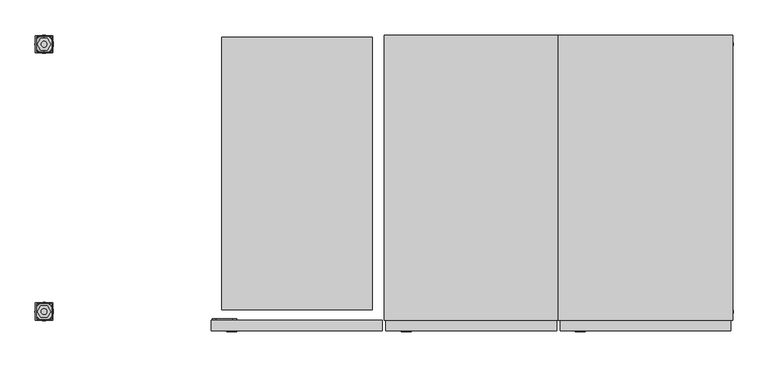
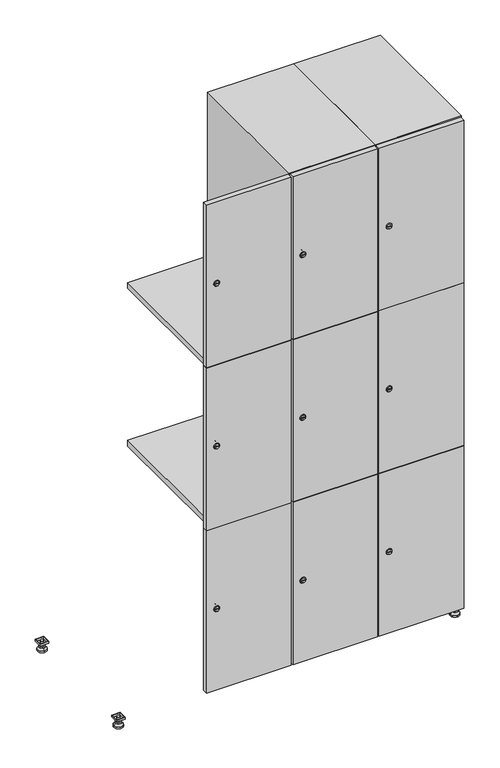
"""IFC4 building model written with IfcOpenShell, lengths in millimetres: furniture geometry."""

from ifc_helpers import new_model, si_unit, point, frame, frame_2d, origin, origin_with_axes, place, context, project, spatial, polyline, circle_curve, trimmed, segment, composite_curve, outline, extrude, faceted_brep, source, transform, mapped, element, save
from ifc_brep_helpers import plane_surface, revolved_surface, advanced_brep


def furniture_dab94285(model_context):
    return source(origin(), model_context, "Body", "SolidModel", [
        extrude(outline(polyline([(1000.0, 245.0), (1000.0, 215.0), (970.0, 215.0), (970.0, 245.0), (1000.0, 245.0)]), holes=[polyline([(998.0, 243.0), (972.0, 243.0), (972.0, 217.0), (998.0, 217.0), (998.0, 243.0)])]), frame((0.0, 0.0, 28.5), z_axis=(0.0, 0.0, 1.0), x_axis=(1.0, 0.0, 0.0)), (0.0, 0.0, 1.0), 6.5),
        extrude(outline(polyline([(970.0, -245.0), (970.0, -215.0), (1000.0, -215.0), (1000.0, -245.0), (970.0, -245.0)]), holes=[polyline([(972.0, -243.0), (998.0, -243.0), (998.0, -217.0), (972.0, -217.0), (972.0, -243.0)])]), frame((0.0, 0.0, 28.5), z_axis=(0.0, 0.0, 1.0), x_axis=(1.0, 0.0, 0.0)), (0.0, 0.0, 1.0), 6.5),
        extrude(outline(polyline([(-170.0, 245.0), (-170.0, 215.0), (-200.0, 215.0), (-200.0, 245.0), (-170.0, 245.0)]), holes=[polyline([(-172.0, 243.0), (-198.0, 243.0), (-198.0, 217.0), (-172.0, 217.0), (-172.0, 243.0)])]), frame((0.0, 0.0, 28.5), z_axis=(0.0, 0.0, 1.0), x_axis=(1.0, 0.0, 0.0)), (0.0, 0.0, 1.0), 6.5),
        extrude(outline(polyline([(-170.0, -215.0), (-170.0, -245.0), (-200.0, -245.0), (-200.0, -215.0), (-170.0, -215.0)]), holes=[polyline([(-198.0, -243.0), (-172.0, -243.0), (-172.0, -217.0), (-198.0, -217.0), (-198.0, -243.0)])]), frame((0.0, 0.0, 28.5), z_axis=(0.0, 0.0, 1.0), x_axis=(1.0, 0.0, 0.0)), (0.0, 0.0, 1.0), 6.5),
        extrude(outline(composite_curve([segment(trimmed(circle_curve(frame_2d((-185.0, 230.0)), 5.0), [point((-180.0, 230.0))], [point((-190.0, 230.0))], False, "CARTESIAN"), True, "CONTINUOUS"), segment(trimmed(circle_curve(frame_2d((-185.0, 230.0)), 5.0), [point((-190.0, 230.0))], [point((-180.0, 230.0))], False, "CARTESIAN"), True, "CONTINUOUS")], self_intersect=False)), frame((0.0, 0.0, 19.6), z_axis=(0.0, 0.0, 1.0), x_axis=(1.0, 0.0, 0.0)), (0.0, 0.0, 1.0), 15.4),
        extrude(outline(composite_curve([segment(trimmed(circle_curve(frame_2d((-185.0, -230.0)), 5.0), [point((-180.0, -230.0))], [point((-190.0, -230.0))], False, "CARTESIAN"), True, "CONTINUOUS"), segment(trimmed(circle_curve(frame_2d((-185.0, -230.0)), 5.0), [point((-190.0, -230.0))], [point((-180.0, -230.0))], False, "CARTESIAN"), True, "CONTINUOUS")], self_intersect=False)), frame((0.0, 0.0, 19.6), z_axis=(0.0, 0.0, 1.0), x_axis=(1.0, 0.0, 0.0)), (0.0, 0.0, 1.0), 15.4),
        extrude(outline(composite_curve([segment(trimmed(circle_curve(frame_2d((985.0, 230.0)), 5.0), [point((990.0, 230.0))], [point((980.0, 230.0))], False, "CARTESIAN"), True, "CONTINUOUS"), segment(trimmed(circle_curve(frame_2d((985.0, 230.0)), 5.0), [point((980.0, 230.0))], [point((990.0, 230.0))], False, "CARTESIAN"), True, "CONTINUOUS")], self_intersect=False)), frame((0.0, 0.0, 19.6), z_axis=(0.0, 0.0, 1.0), x_axis=(1.0, 0.0, 0.0)), (0.0, 0.0, 1.0), 15.4),
        extrude(outline(polyline([(973.4529946, 230.0), (979.2264973, 240.0), (990.7735027, 240.0), (996.5470054, 230.0), (990.7735027, 220.0), (979.2264973, 220.0), (973.4529946, 230.0)])), frame((0.0, 0.0, 13.6), z_axis=(0.0, 0.0, 1.0), x_axis=(1.0, 0.0, 0.0)), (0.0, 0.0, 1.0), 6.0),
        extrude(outline(composite_curve([segment(trimmed(circle_curve(frame_2d((985.0, -230.0)), 5.0), [point((990.0, -230.0))], [point((980.0, -230.0))], False, "CARTESIAN"), True, "CONTINUOUS"), segment(trimmed(circle_curve(frame_2d((985.0, -230.0)), 5.0), [point((980.0, -230.0))], [point((990.0, -230.0))], False, "CARTESIAN"), True, "CONTINUOUS")], self_intersect=False)), frame((0.0, 0.0, 19.6), z_axis=(0.0, 0.0, 1.0), x_axis=(1.0, 0.0, 0.0)), (0.0, 0.0, 1.0), 15.4),
        extrude(outline(polyline([(973.4529946, -230.0), (979.2264973, -220.0), (990.7735027, -220.0), (996.5470054, -230.0), (990.7735027, -240.0), (979.2264973, -240.0), (973.4529946, -230.0)])), frame((0.0, 0.0, 13.6), z_axis=(0.0, 0.0, 1.0), x_axis=(1.0, 0.0, 0.0)), (0.0, 0.0, 1.0), 6.0),
        extrude(outline(composite_curve([segment(trimmed(circle_curve(frame_2d((985.0, 230.0)), 5.0), [point((990.0, 230.0))], [point((980.0, 230.0))], False, "CARTESIAN"), True, "CONTINUOUS"), segment(trimmed(circle_curve(frame_2d((985.0, 230.0)), 5.0), [point((980.0, 230.0))], [point((990.0, 230.0))], False, "CARTESIAN"), True, "CONTINUOUS")], self_intersect=False)), frame((0.0, 0.0, 12.1), z_axis=(0.0, 0.0, 1.0), x_axis=(1.0, 0.0, 0.0)), (0.0, 0.0, 1.0), 1.5),
        extrude(outline(composite_curve([segment(trimmed(circle_curve(frame_2d((985.0, -230.0)), 5.0), [point((990.0, -230.0))], [point((980.0, -230.0))], False, "CARTESIAN"), True, "CONTINUOUS"), segment(trimmed(circle_curve(frame_2d((985.0, -230.0)), 5.0), [point((980.0, -230.0))], [point((990.0, -230.0))], False, "CARTESIAN"), True, "CONTINUOUS")], self_intersect=False)), frame((0.0, 0.0, 12.1), z_axis=(0.0, 0.0, 1.0), x_axis=(1.0, 0.0, 0.0)), (0.0, 0.0, 1.0), 1.5),
        extrude(outline(polyline([(-196.5470054, 230.0), (-190.7735027, 240.0), (-179.2264973, 240.0), (-173.4529946, 230.0), (-179.2264973, 220.0), (-190.7735027, 220.0), (-196.5470054, 230.0)])), frame((0.0, 0.0, 13.6), z_axis=(0.0, 0.0, 1.0), x_axis=(1.0, 0.0, 0.0)), (0.0, 0.0, 1.0), 6.0),
        extrude(outline(polyline([(-196.5470054, -230.0), (-190.7735027, -220.0), (-179.2264973, -220.0), (-173.4529946, -230.0), (-179.2264973, -240.0), (-190.7735027, -240.0), (-196.5470054, -230.0)])), frame((0.0, 0.0, 13.6), z_axis=(0.0, 0.0, 1.0), x_axis=(1.0, 0.0, 0.0)), (0.0, 0.0, 1.0), 6.0),
        extrude(outline(composite_curve([segment(trimmed(circle_curve(frame_2d((-185.0, 230.0)), 5.0), [point((-185.0, 235.0))], [point((-185.0, 225.0))], False, "CARTESIAN"), True, "CONTINUOUS"), segment(trimmed(circle_curve(frame_2d((-185.0, 230.0)), 5.0), [point((-185.0, 225.0))], [point((-185.0, 235.0))], False, "CARTESIAN"), True, "CONTINUOUS")], self_intersect=False)), frame((0.0, 0.0, 12.1), z_axis=(0.0, 0.0, 1.0), x_axis=(1.0, 0.0, 0.0)), (0.0, 0.0, 1.0), 1.5),
        extrude(outline(composite_curve([segment(trimmed(circle_curve(frame_2d((-185.0, -230.0)), 5.0), [point((-180.0, -230.0))], [point((-190.0, -230.0))], False, "CARTESIAN"), True, "CONTINUOUS"), segment(trimmed(circle_curve(frame_2d((-185.0, -230.0)), 5.0), [point((-190.0, -230.0))], [point((-180.0, -230.0))], False, "CARTESIAN"), True, "CONTINUOUS")], self_intersect=False)), frame((0.0, 0.0, 12.1), z_axis=(0.0, 0.0, 1.0), x_axis=(1.0, 0.0, 0.0)), (0.0, 0.0, 1.0), 1.5),
        extrude(outline(composite_curve([segment(trimmed(circle_curve(frame_2d((985.0, 230.0)), 15.75), [point((1000.75, 230.0))], [point((969.25, 230.0))], False, "CARTESIAN"), True, "CONTINUOUS"), segment(trimmed(circle_curve(frame_2d((985.0, 230.0)), 15.75), [point((969.25, 230.0))], [point((1000.75, 230.0))], False, "CARTESIAN"), True, "CONTINUOUS")], self_intersect=False)), origin_with_axes(), (0.0, 0.0, 1.0), 5.1),
        extrude(outline(composite_curve([segment(trimmed(circle_curve(frame_2d((985.0, -230.0)), 15.75), [point((985.0, -214.25))], [point((985.0, -245.75))], False, "CARTESIAN"), True, "CONTINUOUS"), segment(trimmed(circle_curve(frame_2d((985.0, -230.0)), 15.75), [point((985.0, -245.75))], [point((985.0, -214.25))], False, "CARTESIAN"), True, "CONTINUOUS")], self_intersect=False)), origin_with_axes(), (0.0, 0.0, 1.0), 5.1),
        extrude(outline(composite_curve([segment(trimmed(circle_curve(frame_2d((-185.0, -230.0)), 15.75), [point((-169.25, -230.0))], [point((-200.75, -230.0))], False, "CARTESIAN"), True, "CONTINUOUS"), segment(trimmed(circle_curve(frame_2d((-185.0, -230.0)), 15.75), [point((-200.75, -230.0))], [point((-169.25, -230.0))], False, "CARTESIAN"), True, "CONTINUOUS")], self_intersect=False)), origin_with_axes(), (0.0, 0.0, 1.0), 5.1),
        extrude(outline(composite_curve([segment(trimmed(circle_curve(frame_2d((-185.0, 230.0)), 15.75), [point((-169.25, 230.0))], [point((-200.75, 230.0))], False, "CARTESIAN"), True, "CONTINUOUS"), segment(trimmed(circle_curve(frame_2d((-185.0, 230.0)), 15.75), [point((-200.75, 230.0))], [point((-169.25, 230.0))], False, "CARTESIAN"), True, "CONTINUOUS")], self_intersect=False)), origin_with_axes(), (0.0, 0.0, 1.0), 5.1),
        advanced_brep(
        [(-185.0, 239.5, 12.1), (-185.0, 220.5, 12.1), (-185.0, 214.25, 5.1), (-185.0, 245.75, 5.1)],
        [
            (0, 1, circle_curve(frame((-185.0, 230.0, 12.1), z_axis=(0.0, 0.0, -1.0), x_axis=(0.0, 1.0, 0.0)), 9.5)),
            (1, 2),
            (2, 3, circle_curve(frame((-185.0, 230.0, 5.1), z_axis=(0.0, 0.0, 1.0), x_axis=(0.0, 1.0, 0.0)), 15.75)),
            (3, 0),
            (1, 0, circle_curve(frame((-185.0, 230.0, 12.1), z_axis=(0.0, 0.0, -1.0), x_axis=(0.0, -1.0, 0.0)), 9.5)),
            (3, 2, circle_curve(frame((-185.0, 230.0, 5.1), z_axis=(0.0, 0.0, 1.0), x_axis=(0.0, -1.0, 0.0)), 15.75)),
        ],
        [
            revolved_surface(polyline([(-185.0, 220.5, 12.099999999999998), (-185.0, 214.25, 5.099999999999998)]), (-185.0, 230.0, 22.74), (0.0, 0.0, -1.0)),
            revolved_surface(polyline([(-185.0, 239.5, 12.099999999999998), (-185.0, 245.75, 5.099999999999998)]), (-185.0, 230.0, 22.74), (0.0, 0.0, -1.0)),
            plane_surface(frame((-185.0, 230.0, 5.1), z_axis=(0.0, 0.0, -1.0), x_axis=(1.0, 0.0, 0.0))),
            plane_surface(frame((-185.0, 230.0, 12.1), z_axis=(0.0, 0.0, 1.0), x_axis=(1.0, 0.0, 0.0))),
        ],
        [
            (0, [[1, 2, 3, 4]]),
            (1, [[5, -4, 6, -2]]),
            (2, [[-3, -6]]),
            (3, [[-5, -1]]),
        ],
    ),
        advanced_brep(
        [(985.0, 239.5, 12.1), (985.0, 220.5, 12.1), (985.0, 214.25, 5.1), (985.0, 245.75, 5.1)],
        [
            (0, 1, circle_curve(frame((985.0, 230.0, 12.1), z_axis=(0.0, 0.0, -1.0), x_axis=(0.0, 1.0, 0.0)), 9.5)),
            (1, 2),
            (2, 3, circle_curve(frame((985.0, 230.0, 5.1), z_axis=(0.0, 0.0, 1.0), x_axis=(0.0, 1.0, 0.0)), 15.75)),
            (3, 0),
            (1, 0, circle_curve(frame((985.0, 230.0, 12.1), z_axis=(0.0, 0.0, -1.0), x_axis=(0.0, -1.0, 0.0)), 9.5)),
            (3, 2, circle_curve(frame((985.0, 230.0, 5.1), z_axis=(0.0, 0.0, 1.0), x_axis=(0.0, -1.0, 0.0)), 15.75)),
        ],
        [
            revolved_surface(polyline([(985.0, 220.5, 12.099999999999998), (985.0, 214.25, 5.099999999999998)]), (985.0, 230.0, 22.74), (0.0, 0.0, -1.0)),
            revolved_surface(polyline([(985.0, 239.5, 12.099999999999998), (985.0, 245.75, 5.099999999999998)]), (985.0, 230.0, 22.74), (0.0, 0.0, -1.0)),
            plane_surface(frame((985.0, 230.0, 5.1), z_axis=(0.0, 0.0, -1.0), x_axis=(1.0, 0.0, 0.0))),
            plane_surface(frame((985.0, 230.0, 12.1), z_axis=(0.0, 0.0, 1.0), x_axis=(1.0, 0.0, 0.0))),
        ],
        [
            (0, [[1, 2, 3, 4]]),
            (1, [[5, -4, 6, -2]]),
            (2, [[-3, -6]]),
            (3, [[-5, -1]]),
        ],
    ),
        advanced_brep(
        [(1000.75, -230.0, 5.1), (969.25, -230.0, 5.1), (975.5, -230.0, 12.1), (994.5, -230.0, 12.1)],
        [
            (0, 1, circle_curve(frame((985.0, -230.0, 5.1), z_axis=(0.0, 0.0, 1.0), x_axis=(1.0, 0.0, 0.0)), 15.75)),
            (1, 2),
            (2, 3, circle_curve(frame((985.0, -230.0, 12.1), z_axis=(0.0, 0.0, -1.0), x_axis=(1.0, 0.0, 0.0)), 9.5)),
            (3, 0),
            (1, 0, circle_curve(frame((985.0, -230.0, 5.1), z_axis=(0.0, 0.0, 1.0), x_axis=(-1.0, 0.0, 0.0)), 15.75)),
            (3, 2, circle_curve(frame((985.0, -230.0, 12.1), z_axis=(0.0, 0.0, -1.0), x_axis=(-1.0, 0.0, 0.0)), 9.5)),
        ],
        [
            revolved_surface(polyline([(994.5, -230.0, 12.099999999999998), (1000.75, -230.0, 5.099999999999998)]), (985.0, -230.0, 22.74), (0.0, 0.0, -1.0)),
            revolved_surface(polyline([(975.5, -230.0, 12.099999999999998), (969.25, -230.0, 5.099999999999998)]), (985.0, -230.0, 22.74), (0.0, 0.0, -1.0)),
            plane_surface(frame((985.0, -230.0, 12.1), z_axis=(0.0, 0.0, 1.0), x_axis=(0.0, 1.0, 0.0))),
            plane_surface(frame((985.0, -230.0, 5.1), z_axis=(0.0, 0.0, -1.0), x_axis=(0.0, 1.0, 0.0))),
        ],
        [
            (0, [[1, 2, 3, 4]]),
            (1, [[5, -4, 6, -2]]),
            (2, [[-3, -6]]),
            (3, [[-5, -1]]),
        ],
    ),
        advanced_brep(
        [(-169.25, -230.0, 5.1), (-200.75, -230.0, 5.1), (-194.5, -230.0, 12.1), (-175.5, -230.0, 12.1)],
        [
            (0, 1, circle_curve(frame((-185.0, -230.0, 5.1), z_axis=(0.0, 0.0, 1.0), x_axis=(1.0, 0.0, 0.0)), 15.75)),
            (1, 2),
            (2, 3, circle_curve(frame((-185.0, -230.0, 12.1), z_axis=(0.0, 0.0, -1.0), x_axis=(1.0, 0.0, 0.0)), 9.5)),
            (3, 0),
            (1, 0, circle_curve(frame((-185.0, -230.0, 5.1), z_axis=(0.0, 0.0, 1.0), x_axis=(-1.0, 0.0, 0.0)), 15.75)),
            (3, 2, circle_curve(frame((-185.0, -230.0, 12.1), z_axis=(0.0, 0.0, -1.0), x_axis=(-1.0, 0.0, 0.0)), 9.5)),
        ],
        [
            revolved_surface(polyline([(-175.5, -230.0, 12.099999999999998), (-169.25, -230.0, 5.099999999999998)]), (-185.0, -230.0, 22.74), (0.0, 0.0, -1.0)),
            revolved_surface(polyline([(-194.5, -230.0, 12.099999999999998), (-200.75, -230.0, 5.099999999999998)]), (-185.0, -230.0, 22.74), (0.0, 0.0, -1.0)),
            plane_surface(frame((-185.0, -230.0, 12.1), z_axis=(0.0, 0.0, 1.0), x_axis=(0.0, 1.0, 0.0))),
            plane_surface(frame((-185.0, -230.0, 5.1), z_axis=(0.0, 0.0, -1.0), x_axis=(0.0, 1.0, 0.0))),
        ],
        [
            (0, [[1, 2, 3, 4]]),
            (1, [[5, -4, 6, -2]]),
            (2, [[-3, -6]]),
            (3, [[-5, -1]]),
        ],
    ),
        extrude(outline(composite_curve([segment(trimmed(circle_curve(frame_2d((337.0, 711.2010534)), 7.0), [point((344.0, 711.2010534))], [point((330.0, 711.2010534))], False, "CARTESIAN"), True, "CONTINUOUS"), segment(polyline([(330.0, 711.2010534), (330.0, 739.2010534)]), True, "CONTINUOUS"), segment(trimmed(circle_curve(frame_2d((337.0, 739.2010534)), 7.0), [point((330.0, 739.2010534))], [point((344.0, 739.2010534))], False, "CARTESIAN"), True, "CONTINUOUS"), segment(polyline([(344.0, 739.2010534), (344.0, 711.2010534)]), True, "CONTINUOUS")], self_intersect=False)), frame((0.0, -245.0, 0.0), z_axis=(0.0, 1.0, 0.0), x_axis=(0.0, 0.0, 1.0)), (0.0, 0.0, 1.0), 2.0),
        advanced_brep(
        [(746.5, -265.2, 337.0), (729.5, -265.2, 337.0), (733.0, -265.2, 335.75), (733.0, -265.2, 338.25), (743.0, -265.2, 338.25), (743.0, -265.2, 335.75), (748.5, -263.0, 337.0), (727.5, -263.0, 337.0), (733.0, -263.0, 338.25), (733.0, -263.0, 335.75), (743.0, -263.0, 335.75), (743.0, -263.0, 338.25)],
        [
            (0, 1, circle_curve(frame((738.0, -265.2, 337.0), z_axis=(0.0, -1.0, 0.0), x_axis=(1.0, 0.0, 0.0)), 8.5)),
            (1, 0, circle_curve(frame((738.0, -265.2, 337.0), z_axis=(0.0, -1.0, 0.0), x_axis=(-1.0, 0.0, 0.0)), 8.5)),
            (2, 3),
            (3, 4),
            (4, 5),
            (5, 2),
            (6, 7, circle_curve(frame((738.0, -263.0, 337.0), z_axis=(0.0, 1.0, 0.0), x_axis=(-1.0, 0.0, 0.0)), 10.5)),
            (7, 6, circle_curve(frame((738.0, -263.0, 337.0), z_axis=(0.0, 1.0, 0.0), x_axis=(1.0, 0.0, 0.0)), 10.5)),
            (8, 9),
            (9, 10),
            (10, 11),
            (11, 8),
            (0, 6),
            (7, 1),
            (8, 3),
            (2, 9),
            (11, 4),
            (10, 5),
        ],
        [
            plane_surface(frame((738.0, -265.2, 337.0), z_axis=(0.0, -1.0, 0.0), x_axis=(0.0, 0.0, 1.0))),
            plane_surface(frame((738.0, -263.0, 337.0), z_axis=(0.0, 1.0, 0.0), x_axis=(0.0, 0.0, 1.0))),
            revolved_surface(polyline([(746.5, -265.2, 337.0), (748.5, -263.0, 337.0)]), (738.0, -274.55, 337.0), (0.0, 1.0, 0.0)),
            revolved_surface(polyline([(729.5, -265.2, 337.0), (727.5, -263.0, 337.0)]), (738.0, -274.55, 337.0), (0.0, 1.0, 0.0)),
            plane_surface(frame((733.0, -263.0, 335.75), z_axis=(1.0, 0.0, 0.0), x_axis=(0.0, -1.0, 0.0))),
            plane_surface(frame((733.0, -263.0, 338.25), z_axis=(0.0, 0.0, -1.0), x_axis=(0.0, -1.0, 0.0))),
            plane_surface(frame((743.0, -263.0, 338.25), z_axis=(-1.0, 0.0, 0.0), x_axis=(0.0, -1.0, 0.0))),
            plane_surface(frame((743.0, -263.0, 335.75), z_axis=(0.0, 0.0, 1.0), x_axis=(0.0, -1.0, 0.0))),
        ],
        [
            (0, [[1, 2], [3, 4, 5, 6]]),
            (1, [[7, 8], [9, 10, 11, 12]]),
            (2, [[-1, 13, -8, 14]]),
            (3, [[-2, -14, -7, -13]]),
            (4, [[15, -3, 16, -9]]),
            (5, [[-15, -12, 17, -4]]),
            (6, [[-17, -11, 18, -5]]),
            (7, [[-16, -6, -18, -10]]),
        ],
    ),
        extrude(outline(composite_curve([segment(trimmed(circle_curve(frame_2d((935.0, 711.2010534)), 7.0), [point((942.0, 711.2010534))], [point((928.0, 711.2010534))], False, "CARTESIAN"), True, "CONTINUOUS"), segment(polyline([(928.0, 711.2010534), (928.0, 739.2010534)]), True, "CONTINUOUS"), segment(trimmed(circle_curve(frame_2d((935.0, 739.2010534)), 7.0), [point((928.0, 739.2010534))], [point((942.0, 739.2010534))], False, "CARTESIAN"), True, "CONTINUOUS"), segment(polyline([(942.0, 739.2010534), (942.0, 711.2010534)]), True, "CONTINUOUS")], self_intersect=False)), frame((0.0, -245.0, 0.0), z_axis=(0.0, 1.0, 0.0), x_axis=(0.0, 0.0, 1.0)), (0.0, 0.0, 1.0), 2.0),
        advanced_brep(
        [(746.5, -265.2, 935.0), (729.5, -265.2, 935.0), (733.0, -265.2, 933.75), (733.0, -265.2, 936.25), (743.0, -265.2, 936.25), (743.0, -265.2, 933.75), (748.5, -263.0, 935.0), (727.5, -263.0, 935.0), (733.0, -263.0, 936.25), (733.0, -263.0, 933.75), (743.0, -263.0, 933.75), (743.0, -263.0, 936.25)],
        [
            (0, 1, circle_curve(frame((738.0, -265.2, 935.0), z_axis=(0.0, -1.0, 0.0), x_axis=(1.0, 0.0, 0.0)), 8.5)),
            (1, 0, circle_curve(frame((738.0, -265.2, 935.0), z_axis=(0.0, -1.0, 0.0), x_axis=(-1.0, 0.0, 0.0)), 8.5)),
            (2, 3),
            (3, 4),
            (4, 5),
            (5, 2),
            (6, 7, circle_curve(frame((738.0, -263.0, 935.0), z_axis=(0.0, 1.0, 0.0), x_axis=(-1.0, 0.0, 0.0)), 10.5)),
            (7, 6, circle_curve(frame((738.0, -263.0, 935.0), z_axis=(0.0, 1.0, 0.0), x_axis=(1.0, 0.0, 0.0)), 10.5)),
            (8, 9),
            (9, 10),
            (10, 11),
            (11, 8),
            (0, 6),
            (7, 1),
            (8, 3),
            (2, 9),
            (11, 4),
            (10, 5),
        ],
        [
            plane_surface(frame((738.0, -265.2, 935.0), z_axis=(0.0, -1.0, 0.0), x_axis=(0.0, 0.0, 1.0))),
            plane_surface(frame((738.0, -263.0, 935.0), z_axis=(0.0, 1.0, 0.0), x_axis=(0.0, 0.0, 1.0))),
            revolved_surface(polyline([(746.5, -265.2, 935.0), (748.5, -263.0, 935.0)]), (738.0, -274.55, 935.0), (0.0, 1.0, 0.0)),
            revolved_surface(polyline([(729.5, -265.2, 935.0), (727.5, -263.0, 935.0)]), (738.0, -274.55, 935.0), (0.0, 1.0, 0.0)),
            plane_surface(frame((733.0, -263.0, 933.75), z_axis=(1.0, 0.0, 0.0), x_axis=(0.0, -1.0, 0.0))),
            plane_surface(frame((733.0, -263.0, 936.25), z_axis=(0.0, 0.0, -1.0), x_axis=(0.0, -1.0, 0.0))),
            plane_surface(frame((743.0, -263.0, 936.25), z_axis=(-1.0, 0.0, 0.0), x_axis=(0.0, -1.0, 0.0))),
            plane_surface(frame((743.0, -263.0, 933.75), z_axis=(0.0, 0.0, 1.0), x_axis=(0.0, -1.0, 0.0))),
        ],
        [
            (0, [[1, 2], [3, 4, 5, 6]]),
            (1, [[7, 8], [9, 10, 11, 12]]),
            (2, [[-1, 13, -8, 14]]),
            (3, [[-2, -14, -7, -13]]),
            (4, [[15, -3, 16, -9]]),
            (5, [[-15, -12, 17, -4]]),
            (6, [[-17, -11, 18, -5]]),
            (7, [[-16, -6, -18, -10]]),
        ],
    ),
        extrude(outline(composite_curve([segment(trimmed(circle_curve(frame_2d((1533.0, 711.2010534)), 7.0), [point((1540.0, 711.2010534))], [point((1526.0, 711.2010534))], False, "CARTESIAN"), True, "CONTINUOUS"), segment(polyline([(1526.0, 711.2010534), (1526.0, 739.2010534)]), True, "CONTINUOUS"), segment(trimmed(circle_curve(frame_2d((1533.0, 739.2010534)), 7.0), [point((1526.0, 739.2010534))], [point((1540.0, 739.2010534))], False, "CARTESIAN"), True, "CONTINUOUS"), segment(polyline([(1540.0, 739.2010534), (1540.0, 711.2010534)]), True, "CONTINUOUS")], self_intersect=False)), frame((0.0, -245.0, 0.0), z_axis=(0.0, 1.0, 0.0), x_axis=(0.0, 0.0, 1.0)), (0.0, 0.0, 1.0), 2.0),
        advanced_brep(
        [(746.5, -265.2, 1533.0), (729.5, -265.2, 1533.0), (733.0, -265.2, 1531.75), (733.0, -265.2, 1534.25), (743.0, -265.2, 1534.25), (743.0, -265.2, 1531.75), (748.5, -263.0, 1533.0), (727.5, -263.0, 1533.0), (733.0, -263.0, 1534.25), (733.0, -263.0, 1531.75), (743.0, -263.0, 1531.75), (743.0, -263.0, 1534.25)],
        [
            (0, 1, circle_curve(frame((738.0, -265.2, 1533.0), z_axis=(0.0, -1.0, 0.0), x_axis=(1.0, 0.0, 0.0)), 8.5)),
            (1, 0, circle_curve(frame((738.0, -265.2, 1533.0), z_axis=(0.0, -1.0, 0.0), x_axis=(-1.0, 0.0, 0.0)), 8.5)),
            (2, 3),
            (3, 4),
            (4, 5),
            (5, 2),
            (6, 7, circle_curve(frame((738.0, -263.0, 1533.0), z_axis=(0.0, 1.0, 0.0), x_axis=(-1.0, 0.0, 0.0)), 10.5)),
            (7, 6, circle_curve(frame((738.0, -263.0, 1533.0), z_axis=(0.0, 1.0, 0.0), x_axis=(1.0, 0.0, 0.0)), 10.5)),
            (8, 9),
            (9, 10),
            (10, 11),
            (11, 8),
            (0, 6),
            (7, 1),
            (8, 3),
            (2, 9),
            (11, 4),
            (10, 5),
        ],
        [
            plane_surface(frame((738.0, -265.2, 1533.0), z_axis=(0.0, -1.0, 0.0), x_axis=(0.0, 0.0, 1.0))),
            plane_surface(frame((738.0, -263.0, 1533.0), z_axis=(0.0, 1.0, 0.0), x_axis=(0.0, 0.0, 1.0))),
            revolved_surface(polyline([(746.5, -265.2, 1533.0), (748.5, -263.0, 1533.0)]), (738.0, -274.55, 1533.0), (0.0, 1.0, 0.0)),
            revolved_surface(polyline([(729.5, -265.2, 1533.0), (727.5, -263.0, 1533.0)]), (738.0, -274.55, 1533.0), (0.0, 1.0, 0.0)),
            plane_surface(frame((733.0, -263.0, 1531.75), z_axis=(1.0, 0.0, 0.0), x_axis=(0.0, -1.0, 0.0))),
            plane_surface(frame((733.0, -263.0, 1534.25), z_axis=(0.0, 0.0, -1.0), x_axis=(0.0, -1.0, 0.0))),
            plane_surface(frame((743.0, -263.0, 1534.25), z_axis=(-1.0, 0.0, 0.0), x_axis=(0.0, -1.0, 0.0))),
            plane_surface(frame((743.0, -263.0, 1531.75), z_axis=(0.0, 0.0, 1.0), x_axis=(0.0, -1.0, 0.0))),
        ],
        [
            (0, [[1, 2], [3, 4, 5, 6]]),
            (1, [[7, 8], [9, 10, 11, 12]]),
            (2, [[-1, 13, -8, 14]]),
            (3, [[-2, -14, -7, -13]]),
            (4, [[15, -3, 16, -9]]),
            (5, [[-15, -12, 17, -4]]),
            (6, [[-17, -11, 18, -5]]),
            (7, [[-16, -6, -18, -10]]),
        ],
    ),
        extrude(outline(polyline([(997.0, -245.0), (997.0, -263.0), (703.0, -263.0), (703.0, -245.0), (997.0, -245.0)])), frame((0.0, 0.0, 636.5), z_axis=(0.0, 0.0, 1.0), x_axis=(1.0, 0.0, 0.0)), (0.0, 0.0, 1.0), 597.0),
        extrude(outline(polyline([(703.0, -263.0), (703.0, -245.0), (997.0, -245.0), (997.0, -263.0), (703.0, -263.0)])), frame((0.0, 0.0, 1234.5), z_axis=(0.0, 0.0, 1.0), x_axis=(1.0, 0.0, 0.0)), (0.0, 0.0, 1.0), 597.5),
        extrude(outline(polyline([(997.0, -245.0), (997.0, -263.0), (703.0, -263.0), (703.0, -245.0), (997.0, -245.0)])), frame((0.0, 0.0, 38.0), z_axis=(0.0, 0.0, 1.0), x_axis=(1.0, 0.0, 0.0)), (0.0, 0.0, 1.0), 597.5),
        extrude(outline(polyline([(979.6, 242.0), (979.6, -227.0), (720.4, -227.0), (720.4, 242.0), (979.6, 242.0)])), frame((0.0, 0.0, 1214.7333333), z_axis=(0.0, 0.0, 1.0), x_axis=(1.0, 0.0, 0.0)), (0.0, 0.0, 1.0), 20.4),
        extrude(outline(polyline([(720.4, 242.0), (979.6, 242.0), (979.6, -227.0), (720.4, -227.0), (720.4, 242.0)])), frame((0.0, 0.0, 634.8666667), z_axis=(0.0, 0.0, 1.0), x_axis=(1.0, 0.0, 0.0)), (0.0, 0.0, 1.0), 20.4),
        faceted_brep([(1000.0, -245.0, 35.0), (1000.0, -245.0, 1835.0), (700.0, -245.0, 1835.0), (700.0, -245.0, 35.0), (979.6, -245.0, 1804.8), (979.6, -245.0, 65.2), (720.4, -245.0, 65.2), (720.4, -245.0, 1804.8), (1000.0, 245.0, 35.0), (700.0, 245.0, 35.0), (1000.0, 245.0, 1835.0), (700.0, 245.0, 1835.0), (979.6, 242.0, 1804.8), (979.6, 242.0, 65.2), (700.0, 245.0, 1804.8), (720.4, 242.0, 1804.8), (720.4, 242.0, 65.2)], [[[0, 1, 2, 3], [4, 5, 6, 7]], [[8, 0, 3, 9]], [[1, 0, 8, 10]], [[1, 10, 11, 2]], [[4, 12, 13, 5]], [[9, 3, 2, 11, 14]], [[10, 8, 9, 14, 11]], [[12, 15, 16, 13]], [[15, 7, 6, 16]], [[4, 7, 15, 12]], [[6, 5, 13, 16]]]),
        extrude(outline(composite_curve([segment(trimmed(circle_curve(frame_2d((337.0, 411.2010534)), 7.0), [point((344.0, 411.2010534))], [point((330.0, 411.2010534))], False, "CARTESIAN"), True, "CONTINUOUS"), segment(polyline([(330.0, 411.2010534), (330.0, 439.2010534)]), True, "CONTINUOUS"), segment(trimmed(circle_curve(frame_2d((337.0, 439.2010534)), 7.0), [point((330.0, 439.2010534))], [point((344.0, 439.2010534))], False, "CARTESIAN"), True, "CONTINUOUS"), segment(polyline([(344.0, 439.2010534), (344.0, 411.2010534)]), True, "CONTINUOUS")], self_intersect=False)), frame((0.0, -245.0, 0.0), z_axis=(0.0, 1.0, 0.0), x_axis=(0.0, 0.0, 1.0)), (0.0, 0.0, 1.0), 2.0),
        advanced_brep(
        [(446.5, -265.2, 337.0), (429.5, -265.2, 337.0), (433.0, -265.2, 335.75), (433.0, -265.2, 338.25), (443.0, -265.2, 338.25), (443.0, -265.2, 335.75), (448.5, -263.0, 337.0), (427.5, -263.0, 337.0), (433.0, -263.0, 338.25), (433.0, -263.0, 335.75), (443.0, -263.0, 335.75), (443.0, -263.0, 338.25)],
        [
            (0, 1, circle_curve(frame((438.0, -265.2, 337.0), z_axis=(0.0, -1.0, 0.0), x_axis=(1.0, 0.0, 0.0)), 8.5)),
            (1, 0, circle_curve(frame((438.0, -265.2, 337.0), z_axis=(0.0, -1.0, 0.0), x_axis=(-1.0, 0.0, 0.0)), 8.5)),
            (2, 3),
            (3, 4),
            (4, 5),
            (5, 2),
            (6, 7, circle_curve(frame((438.0, -263.0, 337.0), z_axis=(0.0, 1.0, 0.0), x_axis=(-1.0, 0.0, 0.0)), 10.5)),
            (7, 6, circle_curve(frame((438.0, -263.0, 337.0), z_axis=(0.0, 1.0, 0.0), x_axis=(1.0, 0.0, 0.0)), 10.5)),
            (8, 9),
            (9, 10),
            (10, 11),
            (11, 8),
            (0, 6),
            (7, 1),
            (8, 3),
            (2, 9),
            (11, 4),
            (10, 5),
        ],
        [
            plane_surface(frame((438.0, -265.2, 337.0), z_axis=(0.0, -1.0, 0.0), x_axis=(0.0, 0.0, 1.0))),
            plane_surface(frame((438.0, -263.0, 337.0), z_axis=(0.0, 1.0, 0.0), x_axis=(0.0, 0.0, 1.0))),
            revolved_surface(polyline([(446.5, -265.2, 337.0), (448.5, -263.0, 337.0)]), (438.0, -274.55, 337.0), (0.0, 1.0, 0.0)),
            revolved_surface(polyline([(429.5, -265.2, 337.0), (427.5, -263.0, 337.0)]), (438.0, -274.55, 337.0), (0.0, 1.0, 0.0)),
            plane_surface(frame((433.0, -263.0, 335.75), z_axis=(1.0, 0.0, 0.0), x_axis=(0.0, -1.0, 0.0))),
            plane_surface(frame((433.0, -263.0, 338.25), z_axis=(0.0, 0.0, -1.0), x_axis=(0.0, -1.0, 0.0))),
            plane_surface(frame((443.0, -263.0, 338.25), z_axis=(-1.0, 0.0, 0.0), x_axis=(0.0, -1.0, 0.0))),
            plane_surface(frame((443.0, -263.0, 335.75), z_axis=(0.0, 0.0, 1.0), x_axis=(0.0, -1.0, 0.0))),
        ],
        [
            (0, [[1, 2], [3, 4, 5, 6]]),
            (1, [[7, 8], [9, 10, 11, 12]]),
            (2, [[-1, 13, -8, 14]]),
            (3, [[-2, -14, -7, -13]]),
            (4, [[15, -3, 16, -9]]),
            (5, [[-15, -12, 17, -4]]),
            (6, [[-17, -11, 18, -5]]),
            (7, [[-16, -6, -18, -10]]),
        ],
    ),
        extrude(outline(composite_curve([segment(trimmed(circle_curve(frame_2d((935.0, 411.2010534)), 7.0), [point((942.0, 411.2010534))], [point((928.0, 411.2010534))], False, "CARTESIAN"), True, "CONTINUOUS"), segment(polyline([(928.0, 411.2010534), (928.0, 439.2010534)]), True, "CONTINUOUS"), segment(trimmed(circle_curve(frame_2d((935.0, 439.2010534)), 7.0), [point((928.0, 439.2010534))], [point((942.0, 439.2010534))], False, "CARTESIAN"), True, "CONTINUOUS"), segment(polyline([(942.0, 439.2010534), (942.0, 411.2010534)]), True, "CONTINUOUS")], self_intersect=False)), frame((0.0, -245.0, 0.0), z_axis=(0.0, 1.0, 0.0), x_axis=(0.0, 0.0, 1.0)), (0.0, 0.0, 1.0), 2.0),
        advanced_brep(
        [(446.5, -265.2, 935.0), (429.5, -265.2, 935.0), (433.0, -265.2, 933.75), (433.0, -265.2, 936.25), (443.0, -265.2, 936.25), (443.0, -265.2, 933.75), (448.5, -263.0, 935.0), (427.5, -263.0, 935.0), (433.0, -263.0, 936.25), (433.0, -263.0, 933.75), (443.0, -263.0, 933.75), (443.0, -263.0, 936.25)],
        [
            (0, 1, circle_curve(frame((438.0, -265.2, 935.0), z_axis=(0.0, -1.0, 0.0), x_axis=(1.0, 0.0, 0.0)), 8.5)),
            (1, 0, circle_curve(frame((438.0, -265.2, 935.0), z_axis=(0.0, -1.0, 0.0), x_axis=(-1.0, 0.0, 0.0)), 8.5)),
            (2, 3),
            (3, 4),
            (4, 5),
            (5, 2),
            (6, 7, circle_curve(frame((438.0, -263.0, 935.0), z_axis=(0.0, 1.0, 0.0), x_axis=(-1.0, 0.0, 0.0)), 10.5)),
            (7, 6, circle_curve(frame((438.0, -263.0, 935.0), z_axis=(0.0, 1.0, 0.0), x_axis=(1.0, 0.0, 0.0)), 10.5)),
            (8, 9),
            (9, 10),
            (10, 11),
            (11, 8),
            (0, 6),
            (7, 1),
            (8, 3),
            (2, 9),
            (11, 4),
            (10, 5),
        ],
        [
            plane_surface(frame((438.0, -265.2, 935.0), z_axis=(0.0, -1.0, 0.0), x_axis=(0.0, 0.0, 1.0))),
            plane_surface(frame((438.0, -263.0, 935.0), z_axis=(0.0, 1.0, 0.0), x_axis=(0.0, 0.0, 1.0))),
            revolved_surface(polyline([(446.5, -265.2, 935.0), (448.5, -263.0, 935.0)]), (438.0, -274.55, 935.0), (0.0, 1.0, 0.0)),
            revolved_surface(polyline([(429.5, -265.2, 935.0), (427.5, -263.0, 935.0)]), (438.0, -274.55, 935.0), (0.0, 1.0, 0.0)),
            plane_surface(frame((433.0, -263.0, 933.75), z_axis=(1.0, 0.0, 0.0), x_axis=(0.0, -1.0, 0.0))),
            plane_surface(frame((433.0, -263.0, 936.25), z_axis=(0.0, 0.0, -1.0), x_axis=(0.0, -1.0, 0.0))),
            plane_surface(frame((443.0, -263.0, 936.25), z_axis=(-1.0, 0.0, 0.0), x_axis=(0.0, -1.0, 0.0))),
            plane_surface(frame((443.0, -263.0, 933.75), z_axis=(0.0, 0.0, 1.0), x_axis=(0.0, -1.0, 0.0))),
        ],
        [
            (0, [[1, 2], [3, 4, 5, 6]]),
            (1, [[7, 8], [9, 10, 11, 12]]),
            (2, [[-1, 13, -8, 14]]),
            (3, [[-2, -14, -7, -13]]),
            (4, [[15, -3, 16, -9]]),
            (5, [[-15, -12, 17, -4]]),
            (6, [[-17, -11, 18, -5]]),
            (7, [[-16, -6, -18, -10]]),
        ],
    ),
        extrude(outline(composite_curve([segment(trimmed(circle_curve(frame_2d((1533.0, 411.2010534)), 7.0), [point((1540.0, 411.2010534))], [point((1526.0, 411.2010534))], False, "CARTESIAN"), True, "CONTINUOUS"), segment(polyline([(1526.0, 411.2010534), (1526.0, 439.2010534)]), True, "CONTINUOUS"), segment(trimmed(circle_curve(frame_2d((1533.0, 439.2010534)), 7.0), [point((1526.0, 439.2010534))], [point((1540.0, 439.2010534))], False, "CARTESIAN"), True, "CONTINUOUS"), segment(polyline([(1540.0, 439.2010534), (1540.0, 411.2010534)]), True, "CONTINUOUS")], self_intersect=False)), frame((0.0, -245.0, 0.0), z_axis=(0.0, 1.0, 0.0), x_axis=(0.0, 0.0, 1.0)), (0.0, 0.0, 1.0), 2.0),
        advanced_brep(
        [(446.5, -265.2, 1533.0), (429.5, -265.2, 1533.0), (433.0, -265.2, 1531.75), (433.0, -265.2, 1534.25), (443.0, -265.2, 1534.25), (443.0, -265.2, 1531.75), (448.5, -263.0, 1533.0), (427.5, -263.0, 1533.0), (433.0, -263.0, 1534.25), (433.0, -263.0, 1531.75), (443.0, -263.0, 1531.75), (443.0, -263.0, 1534.25)],
        [
            (0, 1, circle_curve(frame((438.0, -265.2, 1533.0), z_axis=(0.0, -1.0, 0.0), x_axis=(1.0, 0.0, 0.0)), 8.5)),
            (1, 0, circle_curve(frame((438.0, -265.2, 1533.0), z_axis=(0.0, -1.0, 0.0), x_axis=(-1.0, 0.0, 0.0)), 8.5)),
            (2, 3),
            (3, 4),
            (4, 5),
            (5, 2),
            (6, 7, circle_curve(frame((438.0, -263.0, 1533.0), z_axis=(0.0, 1.0, 0.0), x_axis=(-1.0, 0.0, 0.0)), 10.5)),
            (7, 6, circle_curve(frame((438.0, -263.0, 1533.0), z_axis=(0.0, 1.0, 0.0), x_axis=(1.0, 0.0, 0.0)), 10.5)),
            (8, 9),
            (9, 10),
            (10, 11),
            (11, 8),
            (0, 6),
            (7, 1),
            (8, 3),
            (2, 9),
            (11, 4),
            (10, 5),
        ],
        [
            plane_surface(frame((438.0, -265.2, 1533.0), z_axis=(0.0, -1.0, 0.0), x_axis=(0.0, 0.0, 1.0))),
            plane_surface(frame((438.0, -263.0, 1533.0), z_axis=(0.0, 1.0, 0.0), x_axis=(0.0, 0.0, 1.0))),
            revolved_surface(polyline([(446.5, -265.2, 1533.0), (448.5, -263.0, 1533.0)]), (438.0, -274.55, 1533.0), (0.0, 1.0, 0.0)),
            revolved_surface(polyline([(429.5, -265.2, 1533.0), (427.5, -263.0, 1533.0)]), (438.0, -274.55, 1533.0), (0.0, 1.0, 0.0)),
            plane_surface(frame((433.0, -263.0, 1531.75), z_axis=(1.0, 0.0, 0.0), x_axis=(0.0, -1.0, 0.0))),
            plane_surface(frame((433.0, -263.0, 1534.25), z_axis=(0.0, 0.0, -1.0), x_axis=(0.0, -1.0, 0.0))),
            plane_surface(frame((443.0, -263.0, 1534.25), z_axis=(-1.0, 0.0, 0.0), x_axis=(0.0, -1.0, 0.0))),
            plane_surface(frame((443.0, -263.0, 1531.75), z_axis=(0.0, 0.0, 1.0), x_axis=(0.0, -1.0, 0.0))),
        ],
        [
            (0, [[1, 2], [3, 4, 5, 6]]),
            (1, [[7, 8], [9, 10, 11, 12]]),
            (2, [[-1, 13, -8, 14]]),
            (3, [[-2, -14, -7, -13]]),
            (4, [[15, -3, 16, -9]]),
            (5, [[-15, -12, 17, -4]]),
            (6, [[-17, -11, 18, -5]]),
            (7, [[-16, -6, -18, -10]]),
        ],
    ),
        extrude(outline(polyline([(697.0, -245.0), (697.0, -263.0), (403.0, -263.0), (403.0, -245.0), (697.0, -245.0)])), frame((0.0, 0.0, 636.5), z_axis=(0.0, 0.0, 1.0), x_axis=(1.0, 0.0, 0.0)), (0.0, 0.0, 1.0), 597.0),
        extrude(outline(polyline([(403.0, -263.0), (403.0, -245.0), (697.0, -245.0), (697.0, -263.0), (403.0, -263.0)])), frame((0.0, 0.0, 1234.5), z_axis=(0.0, 0.0, 1.0), x_axis=(1.0, 0.0, 0.0)), (0.0, 0.0, 1.0), 597.5),
        extrude(outline(polyline([(697.0, -245.0), (697.0, -263.0), (403.0, -263.0), (403.0, -245.0), (697.0, -245.0)])), frame((0.0, 0.0, 38.0), z_axis=(0.0, 0.0, 1.0), x_axis=(1.0, 0.0, 0.0)), (0.0, 0.0, 1.0), 597.5),
        extrude(outline(polyline([(679.6, 242.0), (679.6, -227.0), (420.4, -227.0), (420.4, 242.0), (679.6, 242.0)])), frame((0.0, 0.0, 1214.7333333), z_axis=(0.0, 0.0, 1.0), x_axis=(1.0, 0.0, 0.0)), (0.0, 0.0, 1.0), 20.4),
        extrude(outline(polyline([(420.4, 242.0), (679.6, 242.0), (679.6, -227.0), (420.4, -227.0), (420.4, 242.0)])), frame((0.0, 0.0, 634.8666667), z_axis=(0.0, 0.0, 1.0), x_axis=(1.0, 0.0, 0.0)), (0.0, 0.0, 1.0), 20.4),
        faceted_brep([(700.0, -245.0, 35.0), (700.0, -245.0, 1835.0), (400.0, -245.0, 1835.0), (400.0, -245.0, 35.0), (679.6, -245.0, 1804.8), (679.6, -245.0, 65.2), (420.4, -245.0, 65.2), (420.4, -245.0, 1804.8), (700.0, 245.0, 35.0), (400.0, 245.0, 35.0), (700.0, 245.0, 1835.0), (400.0, 245.0, 1835.0), (679.6, 242.0, 1804.8), (679.6, 242.0, 65.2), (400.0, 245.0, 1804.8), (420.4, 242.0, 1804.8), (420.4, 242.0, 65.2)], [[[0, 1, 2, 3], [4, 5, 6, 7]], [[8, 0, 3, 9]], [[1, 0, 8, 10]], [[1, 10, 11, 2]], [[4, 12, 13, 5]], [[9, 3, 2, 11, 14]], [[10, 8, 9, 14, 11]], [[12, 15, 16, 13]], [[15, 7, 6, 16]], [[4, 7, 15, 12]], [[6, 5, 13, 16]]]),
        extrude(outline(composite_curve([segment(trimmed(circle_curve(frame_2d((337.0, 111.2010534)), 7.0), [point((344.0, 111.2010534))], [point((330.0, 111.2010534))], False, "CARTESIAN"), True, "CONTINUOUS"), segment(polyline([(330.0, 111.2010534), (330.0, 139.2010534)]), True, "CONTINUOUS"), segment(trimmed(circle_curve(frame_2d((337.0, 139.2010534)), 7.0), [point((330.0, 139.2010534))], [point((344.0, 139.2010534))], False, "CARTESIAN"), True, "CONTINUOUS"), segment(polyline([(344.0, 139.2010534), (344.0, 111.2010534)]), True, "CONTINUOUS")], self_intersect=False)), frame((0.0, -245.0, 0.0), z_axis=(0.0, 1.0, 0.0), x_axis=(0.0, 0.0, 1.0)), (0.0, 0.0, 1.0), 2.0),
        advanced_brep(
        [(146.5, -265.2, 337.0), (129.5, -265.2, 337.0), (133.0, -265.2, 335.75), (133.0, -265.2, 338.25), (143.0, -265.2, 338.25), (143.0, -265.2, 335.75), (148.5, -263.0, 337.0), (127.5, -263.0, 337.0), (133.0, -263.0, 338.25), (133.0, -263.0, 335.75), (143.0, -263.0, 335.75), (143.0, -263.0, 338.25)],
        [
            (0, 1, circle_curve(frame((138.0, -265.2, 337.0), z_axis=(0.0, -1.0, 0.0), x_axis=(1.0, 0.0, 0.0)), 8.5)),
            (1, 0, circle_curve(frame((138.0, -265.2, 337.0), z_axis=(0.0, -1.0, 0.0), x_axis=(-1.0, 0.0, 0.0)), 8.5)),
            (2, 3),
            (3, 4),
            (4, 5),
            (5, 2),
            (6, 7, circle_curve(frame((138.0, -263.0, 337.0), z_axis=(0.0, 1.0, 0.0), x_axis=(-1.0, 0.0, 0.0)), 10.5)),
            (7, 6, circle_curve(frame((138.0, -263.0, 337.0), z_axis=(0.0, 1.0, 0.0), x_axis=(1.0, 0.0, 0.0)), 10.5)),
            (8, 9),
            (9, 10),
            (10, 11),
            (11, 8),
            (0, 6),
            (7, 1),
            (8, 3),
            (2, 9),
            (11, 4),
            (10, 5),
        ],
        [
            plane_surface(frame((138.0, -265.2, 337.0), z_axis=(0.0, -1.0, 0.0), x_axis=(0.0, 0.0, 1.0))),
            plane_surface(frame((138.0, -263.0, 337.0), z_axis=(0.0, 1.0, 0.0), x_axis=(0.0, 0.0, 1.0))),
            revolved_surface(polyline([(146.5, -265.2, 337.0), (148.5, -263.0, 337.0)]), (138.0, -274.55, 337.0), (0.0, 1.0, 0.0)),
            revolved_surface(polyline([(129.5, -265.2, 337.0), (127.5, -263.0, 337.0)]), (138.0, -274.55, 337.0), (0.0, 1.0, 0.0)),
            plane_surface(frame((133.0, -263.0, 335.75), z_axis=(1.0, 0.0, 0.0), x_axis=(0.0, -1.0, 0.0))),
            plane_surface(frame((133.0, -263.0, 338.25), z_axis=(0.0, 0.0, -1.0), x_axis=(0.0, -1.0, 0.0))),
            plane_surface(frame((143.0, -263.0, 338.25), z_axis=(-1.0, 0.0, 0.0), x_axis=(0.0, -1.0, 0.0))),
            plane_surface(frame((143.0, -263.0, 335.75), z_axis=(0.0, 0.0, 1.0), x_axis=(0.0, -1.0, 0.0))),
        ],
        [
            (0, [[1, 2], [3, 4, 5, 6]]),
            (1, [[7, 8], [9, 10, 11, 12]]),
            (2, [[-1, 13, -8, 14]]),
            (3, [[-2, -14, -7, -13]]),
            (4, [[15, -3, 16, -9]]),
            (5, [[-15, -12, 17, -4]]),
            (6, [[-17, -11, 18, -5]]),
            (7, [[-16, -6, -18, -10]]),
        ],
    ),
        extrude(outline(composite_curve([segment(trimmed(circle_curve(frame_2d((935.0, 111.2010534)), 7.0), [point((942.0, 111.2010534))], [point((928.0, 111.2010534))], False, "CARTESIAN"), True, "CONTINUOUS"), segment(polyline([(928.0, 111.2010534), (928.0, 139.2010534)]), True, "CONTINUOUS"), segment(trimmed(circle_curve(frame_2d((935.0, 139.2010534)), 7.0), [point((928.0, 139.2010534))], [point((942.0, 139.2010534))], False, "CARTESIAN"), True, "CONTINUOUS"), segment(polyline([(942.0, 139.2010534), (942.0, 111.2010534)]), True, "CONTINUOUS")], self_intersect=False)), frame((0.0, -245.0, 0.0), z_axis=(0.0, 1.0, 0.0), x_axis=(0.0, 0.0, 1.0)), (0.0, 0.0, 1.0), 2.0),
        advanced_brep(
        [(146.5, -265.2, 935.0), (129.5, -265.2, 935.0), (133.0, -265.2, 933.75), (133.0, -265.2, 936.25), (143.0, -265.2, 936.25), (143.0, -265.2, 933.75), (148.5, -263.0, 935.0), (127.5, -263.0, 935.0), (133.0, -263.0, 936.25), (133.0, -263.0, 933.75), (143.0, -263.0, 933.75), (143.0, -263.0, 936.25)],
        [
            (0, 1, circle_curve(frame((138.0, -265.2, 935.0), z_axis=(0.0, -1.0, 0.0), x_axis=(1.0, 0.0, 0.0)), 8.5)),
            (1, 0, circle_curve(frame((138.0, -265.2, 935.0), z_axis=(0.0, -1.0, 0.0), x_axis=(-1.0, 0.0, 0.0)), 8.5)),
            (2, 3),
            (3, 4),
            (4, 5),
            (5, 2),
            (6, 7, circle_curve(frame((138.0, -263.0, 935.0), z_axis=(0.0, 1.0, 0.0), x_axis=(-1.0, 0.0, 0.0)), 10.5)),
            (7, 6, circle_curve(frame((138.0, -263.0, 935.0), z_axis=(0.0, 1.0, 0.0), x_axis=(1.0, 0.0, 0.0)), 10.5)),
            (8, 9),
            (9, 10),
            (10, 11),
            (11, 8),
            (0, 6),
            (7, 1),
            (8, 3),
            (2, 9),
            (11, 4),
            (10, 5),
        ],
        [
            plane_surface(frame((138.0, -265.2, 935.0), z_axis=(0.0, -1.0, 0.0), x_axis=(0.0, 0.0, 1.0))),
            plane_surface(frame((138.0, -263.0, 935.0), z_axis=(0.0, 1.0, 0.0), x_axis=(0.0, 0.0, 1.0))),
            revolved_surface(polyline([(146.5, -265.2, 935.0), (148.5, -263.0, 935.0)]), (138.0, -274.55, 935.0), (0.0, 1.0, 0.0)),
            revolved_surface(polyline([(129.5, -265.2, 935.0), (127.5, -263.0, 935.0)]), (138.0, -274.55, 935.0), (0.0, 1.0, 0.0)),
            plane_surface(frame((133.0, -263.0, 933.75), z_axis=(1.0, 0.0, 0.0), x_axis=(0.0, -1.0, 0.0))),
            plane_surface(frame((133.0, -263.0, 936.25), z_axis=(0.0, 0.0, -1.0), x_axis=(0.0, -1.0, 0.0))),
            plane_surface(frame((143.0, -263.0, 936.25), z_axis=(-1.0, 0.0, 0.0), x_axis=(0.0, -1.0, 0.0))),
            plane_surface(frame((143.0, -263.0, 933.75), z_axis=(0.0, 0.0, 1.0), x_axis=(0.0, -1.0, 0.0))),
        ],
        [
            (0, [[1, 2], [3, 4, 5, 6]]),
            (1, [[7, 8], [9, 10, 11, 12]]),
            (2, [[-1, 13, -8, 14]]),
            (3, [[-2, -14, -7, -13]]),
            (4, [[15, -3, 16, -9]]),
            (5, [[-15, -12, 17, -4]]),
            (6, [[-17, -11, 18, -5]]),
            (7, [[-16, -6, -18, -10]]),
        ],
    ),
        extrude(outline(composite_curve([segment(trimmed(circle_curve(frame_2d((1533.0, 111.2010534)), 7.0), [point((1540.0, 111.2010534))], [point((1526.0, 111.2010534))], False, "CARTESIAN"), True, "CONTINUOUS"), segment(polyline([(1526.0, 111.2010534), (1526.0, 139.2010534)]), True, "CONTINUOUS"), segment(trimmed(circle_curve(frame_2d((1533.0, 139.2010534)), 7.0), [point((1526.0, 139.2010534))], [point((1540.0, 139.2010534))], False, "CARTESIAN"), True, "CONTINUOUS"), segment(polyline([(1540.0, 139.2010534), (1540.0, 111.2010534)]), True, "CONTINUOUS")], self_intersect=False)), frame((0.0, -245.0, 0.0), z_axis=(0.0, 1.0, 0.0), x_axis=(0.0, 0.0, 1.0)), (0.0, 0.0, 1.0), 2.0),
        advanced_brep(
        [(146.5, -265.2, 1533.0), (129.5, -265.2, 1533.0), (133.0, -265.2, 1531.75), (133.0, -265.2, 1534.25), (143.0, -265.2, 1534.25), (143.0, -265.2, 1531.75), (148.5, -263.0, 1533.0), (127.5, -263.0, 1533.0), (133.0, -263.0, 1534.25), (133.0, -263.0, 1531.75), (143.0, -263.0, 1531.75), (143.0, -263.0, 1534.25)],
        [
            (0, 1, circle_curve(frame((138.0, -265.2, 1533.0), z_axis=(0.0, -1.0, 0.0), x_axis=(1.0, 0.0, 0.0)), 8.5)),
            (1, 0, circle_curve(frame((138.0, -265.2, 1533.0), z_axis=(0.0, -1.0, 0.0), x_axis=(-1.0, 0.0, 0.0)), 8.5)),
            (2, 3),
            (3, 4),
            (4, 5),
            (5, 2),
            (6, 7, circle_curve(frame((138.0, -263.0, 1533.0), z_axis=(0.0, 1.0, 0.0), x_axis=(-1.0, 0.0, 0.0)), 10.5)),
            (7, 6, circle_curve(frame((138.0, -263.0, 1533.0), z_axis=(0.0, 1.0, 0.0), x_axis=(1.0, 0.0, 0.0)), 10.5)),
            (8, 9),
            (9, 10),
            (10, 11),
            (11, 8),
            (0, 6),
            (7, 1),
            (8, 3),
            (2, 9),
            (11, 4),
            (10, 5),
        ],
        [
            plane_surface(frame((138.0, -265.2, 1533.0), z_axis=(0.0, -1.0, 0.0), x_axis=(0.0, 0.0, 1.0))),
            plane_surface(frame((138.0, -263.0, 1533.0), z_axis=(0.0, 1.0, 0.0), x_axis=(0.0, 0.0, 1.0))),
            revolved_surface(polyline([(146.5, -265.2, 1533.0), (148.5, -263.0, 1533.0)]), (138.0, -274.55, 1533.0), (0.0, 1.0, 0.0)),
            revolved_surface(polyline([(129.5, -265.2, 1533.0), (127.5, -263.0, 1533.0)]), (138.0, -274.55, 1533.0), (0.0, 1.0, 0.0)),
            plane_surface(frame((133.0, -263.0, 1531.75), z_axis=(1.0, 0.0, 0.0), x_axis=(0.0, -1.0, 0.0))),
            plane_surface(frame((133.0, -263.0, 1534.25), z_axis=(0.0, 0.0, -1.0), x_axis=(0.0, -1.0, 0.0))),
            plane_surface(frame((143.0, -263.0, 1534.25), z_axis=(-1.0, 0.0, 0.0), x_axis=(0.0, -1.0, 0.0))),
            plane_surface(frame((143.0, -263.0, 1531.75), z_axis=(0.0, 0.0, 1.0), x_axis=(0.0, -1.0, 0.0))),
        ],
        [
            (0, [[1, 2], [3, 4, 5, 6]]),
            (1, [[7, 8], [9, 10, 11, 12]]),
            (2, [[-1, 13, -8, 14]]),
            (3, [[-2, -14, -7, -13]]),
            (4, [[15, -3, 16, -9]]),
            (5, [[-15, -12, 17, -4]]),
            (6, [[-17, -11, 18, -5]]),
            (7, [[-16, -6, -18, -10]]),
        ],
    ),
        extrude(outline(polyline([(397.0, -245.0), (397.0, -263.0), (103.0, -263.0), (103.0, -245.0), (397.0, -245.0)])), frame((0.0, 0.0, 636.5), z_axis=(0.0, 0.0, 1.0), x_axis=(1.0, 0.0, 0.0)), (0.0, 0.0, 1.0), 597.0),
        extrude(outline(polyline([(103.0, -263.0), (103.0, -245.0), (397.0, -245.0), (397.0, -263.0), (103.0, -263.0)])), frame((0.0, 0.0, 1234.5), z_axis=(0.0, 0.0, 1.0), x_axis=(1.0, 0.0, 0.0)), (0.0, 0.0, 1.0), 597.5),
        extrude(outline(polyline([(397.0, -245.0), (397.0, -263.0), (103.0, -263.0), (103.0, -245.0), (397.0, -245.0)])), frame((0.0, 0.0, 38.0), z_axis=(0.0, 0.0, 1.0), x_axis=(1.0, 0.0, 0.0)), (0.0, 0.0, 1.0), 597.5),
        extrude(outline(polyline([(379.6, 242.0), (379.6, -227.0), (120.4, -227.0), (120.4, 242.0), (379.6, 242.0)])), frame((0.0, 0.0, 1214.7333333), z_axis=(0.0, 0.0, 1.0), x_axis=(1.0, 0.0, 0.0)), (0.0, 0.0, 1.0), 20.4),
        extrude(outline(polyline([(120.4, 242.0), (379.6, 242.0), (379.6, -227.0), (120.4, -227.0), (120.4, 242.0)])), frame((0.0, 0.0, 634.8666667), z_axis=(0.0, 0.0, 1.0), x_axis=(1.0, 0.0, 0.0)), (0.0, 0.0, 1.0), 20.4),
    ])


if __name__ == "__main__":
    model = new_model("IFC4")
    model_context = context("Model", 3, world=origin())
    ifc_project = project(units=[si_unit("LENGTHUNIT", "METRE", prefix="MILLI")], contexts=[model_context])
    site = spatial("IfcSite", under=ifc_project)
    building = spatial("IfcBuilding", under=site)
    placement = place(None, origin())
    furniture_shape = furniture_dab94285(model_context)
    element("IfcFurniture", 1, at=placement, inside=building, context=model_context, shape_type="MappedRepresentation", body=[
        mapped(furniture_shape, transform((0.0, 0.0, 0.0), x_axis=(1.0, 0.0, 0.0), y_axis=(0.0, 1.0, 0.0), z_axis=(0.0, 0.0, 1.0))),
    ])
    save(model, "model.ifc")
